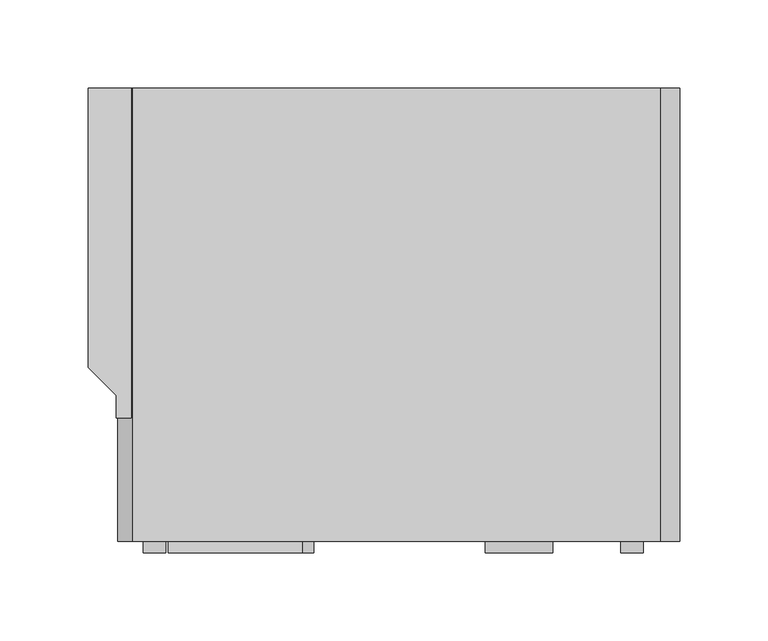
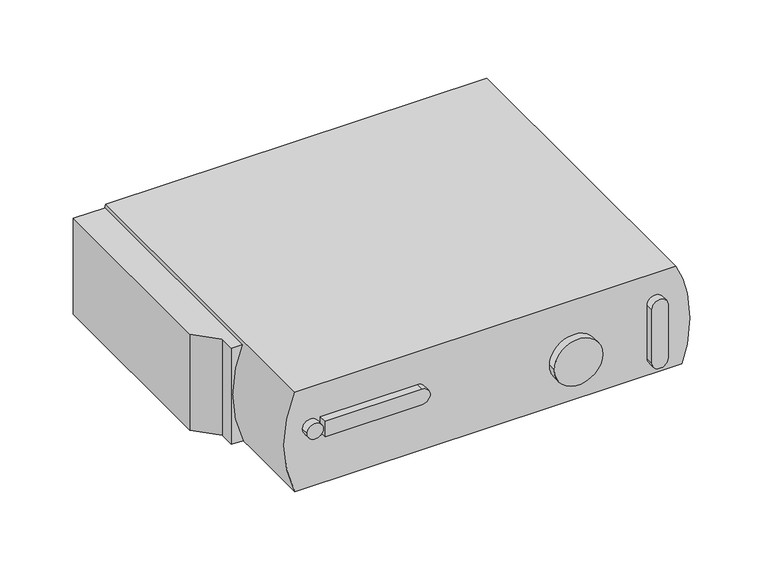
"""IFC4 building model written with IfcOpenShell, lengths in millimetres: furniture geometry."""

from ifc_helpers import new_model, si_unit, point, frame, frame_2d, origin, place, context, project, spatial, polyline, circle_curve, trimmed, segment, composite_curve, outline, extrude, source, transform, mapped, element, save
from ifc_brep_helpers import plane_surface, cylinder_surface, revolved_surface, advanced_brep


def furniture_15b94b48(model_context):
    return source(origin(), model_context, "Body", "SolidModel", [
        extrude(outline(polyline([(-478.1195174, 694.8134978), (-452.7195174, 694.8134978), (-452.7195174, 507.2983855), (-462.0544051, 507.2983855), (-462.0544051, 519.9983855), (-478.1195174, 536.0634978), (-478.1195174, 694.8134978)])), frame((0.0, 0.0, 76.6063762), z_axis=(0.0, 0.0, 1.0), x_axis=(1.0, 0.0, 0.0)), (0.0, 0.0, 1.0), 79.9703125),
        extrude(outline(composite_curve([segment(polyline([(131.8995754, -356.3673052), (131.8995754, -432.5673052), (119.1995754, -432.5673052), (119.1995754, -356.3673052)]), True, "CONTINUOUS"), segment(trimmed(circle_curve(frame_2d((125.5495754, -356.3673052)), 6.35), [point((119.1995754, -356.3673052))], [point((131.8995754, -356.3673052))], False, "CARTESIAN"), True, "CONTINUOUS")], self_intersect=False)), frame((0.0, 430.6931853, 0.0), z_axis=(0.0, 1.0, 0.0), x_axis=(0.0, 0.0, 1.0)), (0.0, 0.0, 1.0), 6.35),
        extrude(outline(composite_curve([segment(trimmed(circle_curve(frame_2d((126.5203837, -440.3889953)), 6.35), [point((126.5203837, -446.7389953))], [point((126.5203837, -434.0389953))], False, "CARTESIAN"), True, "CONTINUOUS"), segment(trimmed(circle_curve(frame_2d((126.5203837, -440.3889953)), 6.35), [point((126.5203837, -434.0389953))], [point((126.5203837, -446.7389953))], False, "CARTESIAN"), True, "CONTINUOUS")], self_intersect=False)), frame((0.0, 430.6931853, 0.0), z_axis=(0.0, 1.0, 0.0), x_axis=(0.0, 0.0, 1.0)), (0.0, 0.0, 1.0), 6.35),
        extrude(outline(composite_curve([segment(trimmed(circle_curve(frame_2d((111.4958366, -233.3381409)), 19.05), [point((111.4958366, -252.3881409))], [point((111.4958366, -214.2881409))], False, "CARTESIAN"), True, "CONTINUOUS"), segment(trimmed(circle_curve(frame_2d((111.4958366, -233.3381409)), 19.05), [point((111.4958366, -214.2881409))], [point((111.4958366, -252.3881409))], False, "CARTESIAN"), True, "CONTINUOUS")], self_intersect=False)), frame((0.0, 430.6931853, 0.0), z_axis=(0.0, 1.0, 0.0), x_axis=(0.0, 0.0, 1.0)), (0.0, 0.0, 1.0), 6.35),
        extrude(outline(composite_curve([segment(polyline([(90.2411057, -162.7634702), (134.6911057, -162.7634702)]), True, "CONTINUOUS"), segment(trimmed(circle_curve(frame_2d((134.6911057, -169.1134702)), 6.35), [point((134.6911057, -162.7634702))], [point((134.6911057, -175.4634702))], False, "CARTESIAN"), True, "CONTINUOUS"), segment(polyline([(134.6911057, -175.4634702), (90.2411057, -175.4634702)]), True, "CONTINUOUS"), segment(trimmed(circle_curve(frame_2d((90.2411057, -169.1134702)), 6.35), [point((90.2411057, -175.4634702))], [point((90.2411057, -162.7634702))], False, "CARTESIAN"), True, "CONTINUOUS")], self_intersect=False)), frame((0.0, 430.6931853, 0.0), z_axis=(0.0, 1.0, 0.0), x_axis=(0.0, 0.0, 1.0)), (0.0, 0.0, 1.0), 6.35),
        advanced_brep(
        [(-153.0113328, 437.0431853, 159.4103762), (-452.7195174, 437.0431853, 159.4103762), (-452.8300848, 437.0431853, 76.7394271), (-148.3271336, 437.0431853, 76.2949722), (-144.1095174, 437.0431853, 91.0363771), (-144.0571028, 437.0431853, 91.2894008), (-144.0571028, 437.0431853, 133.5830884), (-144.1095174, 437.0431853, 133.8361121), (-153.0113328, 694.8134978, 159.4103762), (-147.9195174, 694.8134978, 147.4471823), (-144.1095174, 694.8134978, 133.8361121), (-144.1095174, 694.8134978, 91.0363771), (-147.9195174, 694.8134978, 77.4253069), (-148.2133746, 694.8134978, 76.6063762), (-148.3271336, 694.8134978, 76.2949722), (-452.8300848, 694.8134978, 76.7394271), (-452.7195174, 694.8134978, 159.4103762), (-452.7195174, 529.7134978, 159.4103762), (-452.8300848, 529.6489872, 76.7394271), (-452.8300848, 437.457416, 76.7394271)],
        [
            (0, 1, circle_curve(frame((-302.8654251, 437.0431853, 1643.4285012), z_axis=(0.0, 1.0, 0.0), x_axis=(1.0, 0.0, 0.0)), 1491.5649649)),
            (1, 2, circle_curve(frame((-356.3975482, 437.0431853, 117.9460029), z_axis=(0.0, -1.0, 0.0), x_axis=(1.0, 0.0, 0.0)), 104.8676118)),
            (2, 3, circle_curve(frame((-303.3660765, 437.0431853, -1833.2197442), z_axis=(0.0, 1.0, 0.0), x_axis=(1.0, 0.0, 0.0)), 1915.7984043)),
            (3, 4, circle_curve(frame((-246.7771726, 437.0431853, 112.4362446), z_axis=(0.0, -1.0, 0.0), x_axis=(1.0, 0.0, 0.0)), 104.8742188)),
            (4, 5, circle_curve(frame((-246.7771726, 437.0431853, 112.4362446), z_axis=(0.0, -1.0, 0.0), x_axis=(1.0, 0.0, 0.0)), 104.8742187)),
            (5, 6, circle_curve(frame((-246.7771726, 437.0431853, 112.4362446), z_axis=(0.0, -1.0, 0.0), x_axis=(1.0, 0.0, 0.0)), 104.8742188)),
            (6, 7, circle_curve(frame((-246.7771726, 437.0431853, 112.4362446), z_axis=(0.0, -1.0, 0.0), x_axis=(1.0, 0.0, 0.0)), 104.8742188)),
            (7, 0, circle_curve(frame((-246.7771726, 437.0431853, 112.4362446), z_axis=(0.0, -1.0, 0.0), x_axis=(1.0, 0.0, 0.0)), 104.8742187)),
            (8, 9, circle_curve(frame((-246.7771726, 694.8134978, 112.4362446), z_axis=(0.0, 1.0, 0.0), x_axis=(1.0, 0.0, 0.0)), 104.8742188)),
            (9, 10, circle_curve(frame((-246.7771726, 694.8134978, 112.4362446), z_axis=(0.0, 1.0, 0.0), x_axis=(1.0, 0.0, 0.0)), 104.8742188)),
            (10, 11, circle_curve(frame((-246.7771726, 694.8134978, 112.4362446), z_axis=(0.0, 1.0, 0.0), x_axis=(1.0, 0.0, 0.0)), 104.8742188)),
            (11, 12, circle_curve(frame((-246.7771726, 694.8134978, 112.4362446), z_axis=(0.0, 1.0, 0.0), x_axis=(1.0, 0.0, 0.0)), 104.8742188)),
            (12, 13, circle_curve(frame((-246.7771726, 694.8134978, 112.4362446), z_axis=(0.0, 1.0, 0.0), x_axis=(1.0, 0.0, 0.0)), 104.8742188)),
            (13, 14, circle_curve(frame((-246.7771726, 694.8134978, 112.4362446), z_axis=(0.0, 1.0, 0.0), x_axis=(1.0, 0.0, 0.0)), 104.8742188)),
            (14, 15, circle_curve(frame((-303.3660765, 694.8134978, -1833.2197442), z_axis=(0.0, -1.0, 0.0), x_axis=(1.0, 0.0, 0.0)), 1915.7984043)),
            (15, 16, circle_curve(frame((-356.3975482, 694.8134978, 117.9460029), z_axis=(0.0, 1.0, 0.0), x_axis=(1.0, 0.0, 0.0)), 104.8676118)),
            (16, 8, circle_curve(frame((-302.8654251, 694.8134978, 1643.4285012), z_axis=(0.0, -1.0, 0.0), x_axis=(1.0, 0.0, 0.0)), 1491.5649649)),
            (0, 8),
            (16, 17),
            (17, 1),
            (15, 18),
            (18, 19),
            (19, 2),
            (14, 3),
        ],
        [
            plane_surface(frame((1188.6995398, 437.0431853, 1643.4285012), z_axis=(0.0, -1.0, 0.0), x_axis=(0.0, 0.0, -1.0))),
            plane_surface(frame((1188.6995398, 694.8134978, 1643.4285012), z_axis=(0.0, 1.0, 0.0), x_axis=(0.0, 0.0, 1.0))),
            revolved_surface(polyline([(1188.6995398, 694.8134978, 1643.4285012), (1188.6995398, 437.0431853, 1643.4285012)]), (-302.8654251, 694.8134978, 1643.4285012), (0.0, 1.0, 0.0)),
            cylinder_surface(frame((-356.3975482, 694.8134978, 117.9460029), z_axis=(0.0, -1.0, 0.0), x_axis=(1.0, 0.0, 0.0)), 104.8676118),
            revolved_surface(polyline([(1612.4323278, 694.8134978, -1833.2197442), (1612.4323278, 437.0431853, -1833.2197442)]), (-303.3660765, 694.8134978, -1833.2197442), (0.0, 1.0, 0.0)),
            cylinder_surface(frame((-246.7771726, 694.8134978, 112.4362446), z_axis=(0.0, -1.0, 0.0), x_axis=(1.0, 0.0, 0.0)), 104.8742187),
        ],
        [
            (0, [[1, 2, 3, 4, 5, 6, 7, 8]]),
            (1, [[9, 10, 11, 12, 13, 14, 15, 16, 17]]),
            (2, [[-1, 18, -17, 19, 20]]),
            (3, [[-2, -20, -19, -16, 21, 22, 23]]),
            (4, [[-3, -23, -22, -21, -15, 24]]),
            (5, [[-8, -7, -6, -5, -4, -24, -14, -13, -12, -11, -10, -9, -18]]),
        ],
    ),
    ])


if __name__ == "__main__":
    model = new_model("IFC4")
    model_context = context("Model", 3, world=origin())
    ifc_project = project(units=[si_unit("LENGTHUNIT", "METRE", prefix="MILLI")], contexts=[model_context])
    site = spatial("IfcSite", under=ifc_project)
    building = spatial("IfcBuilding", under=site)
    placement = place(None, origin())
    furniture_shape = furniture_15b94b48(model_context)
    element("IfcFurniture", 1, at=placement, inside=building, context=model_context, shape_type="MappedRepresentation", body=[
        mapped(furniture_shape, transform((0.0, 0.0, 0.0), x_axis=(1.0, 0.0, 0.0), y_axis=(0.0, 1.0, 0.0), z_axis=(0.0, 0.0, 1.0))),
    ])
    save(model, "model.ifc")
